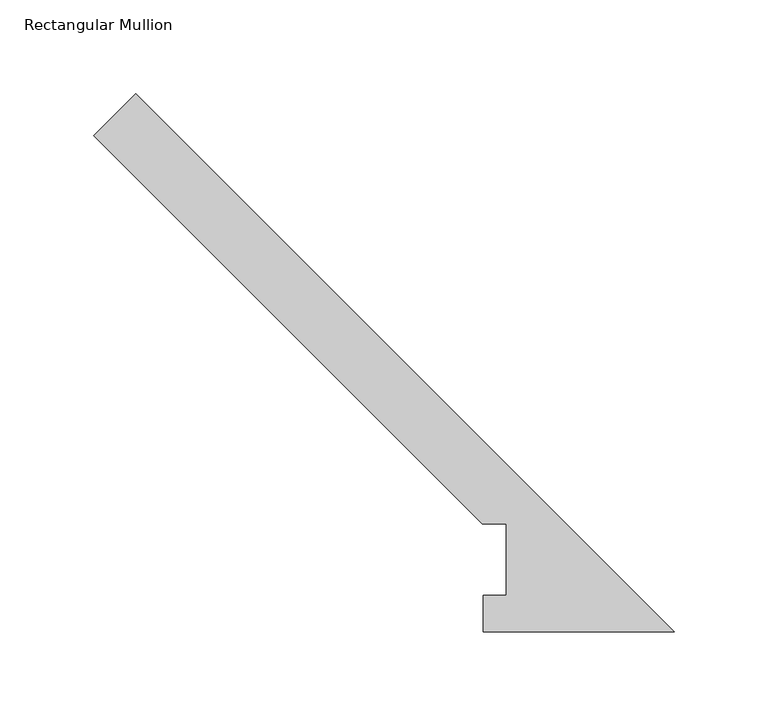
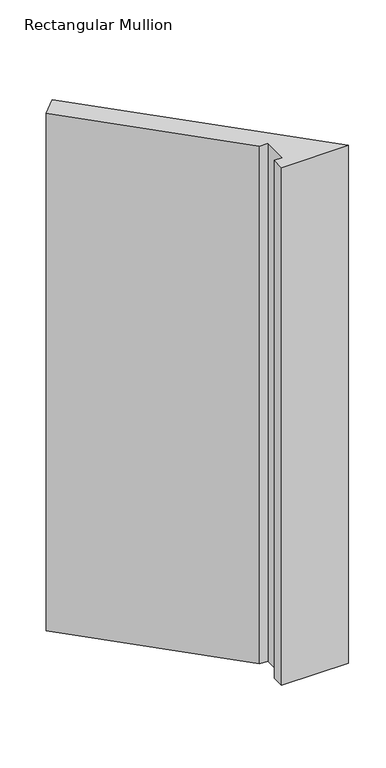
"""IFC4 building model written with IfcOpenShell, lengths in millimetres: member geometry, Rectangular Mullion."""

from ifc_helpers import new_model, si_unit, frame, origin, place, context, project, spatial, polyline, outline, extrude, source, transform, mapped, element, save


def rectangular_mullion_a3744772(model_context):
    return source(origin(), model_context, "Body", "SweptSolid", [
        extrude(outline(polyline([(-102.5396468, 57.6460937), (-310.0339648, 265.1404117), (-287.5833245, 287.591052), (0.0, 0.0077275), (-102.1557194, 0.0077275), (-102.1557194, 19.5460938), (-89.8396468, 19.5460938), (-89.8396468, 57.6460938), (-102.5396468, 57.6460937)])), frame((0.0, 0.0, -838.2), z_axis=(0.0, 0.0, 1.0), x_axis=(1.0, 0.0, 0.0)), (0.0, 0.0, 1.0), 838.2),
    ])


if __name__ == "__main__":
    model = new_model("IFC4")
    model_context = context("Model", 3, world=origin())
    ifc_project = project(units=[si_unit("LENGTHUNIT", "METRE", prefix="MILLI")], contexts=[model_context])
    site = spatial("IfcSite", under=ifc_project)
    building = spatial("IfcBuilding", under=site)
    placement = place(None, origin())
    rectangular_mullion_shape = rectangular_mullion_a3744772(model_context)
    element("IfcMember", 1, ObjectType="Rectangular Mullion", at=placement, inside=building, context=model_context, shape_type="MappedRepresentation", body=[
        mapped(rectangular_mullion_shape, transform((0.0, 0.0, 0.0), x_axis=(1.0, 0.0, 0.0), y_axis=(0.0, 1.0, 0.0), z_axis=(0.0, 0.0, 1.0))),
    ])
    save(model, "model.ifc")
